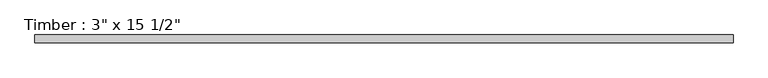
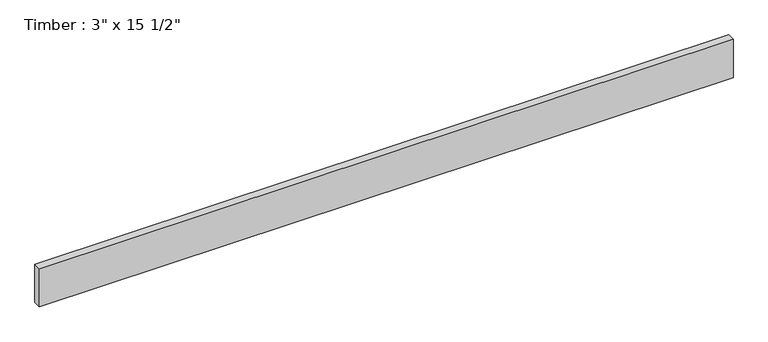
"""IFC4 building model written with IfcOpenShell, lengths in millimetres: beam geometry."""

from ifc_helpers import new_model, si_unit, frame, origin, place, context, project, spatial, polyline, outline, extrude, source, transform, mapped, element, save


def beam_c4738e76(model_context):
    return source(origin(), model_context, "Body", "SweptSolid", [
        extrude(outline(polyline([(3384.55, 38.1), (3384.55, -38.1), (-3384.55, -38.1), (-3384.55, 38.1), (3384.55, 38.1)])), frame((0.0, 0.0, -196.85), z_axis=(0.0, 0.0, 1.0), x_axis=(1.0, 0.0, 0.0)), (0.0, 0.0, 1.0), 393.7),
    ])


if __name__ == "__main__":
    model = new_model("IFC4")
    model_context = context("Model", 3, world=origin())
    ifc_project = project(units=[si_unit("LENGTHUNIT", "METRE", prefix="MILLI")], contexts=[model_context])
    site = spatial("IfcSite", under=ifc_project)
    building = spatial("IfcBuilding", under=site)
    placement = place(None, origin())
    beam_shape = beam_c4738e76(model_context)
    element("IfcBeam", 1, ObjectType="Timber : 3\" x 15 1/2\"", at=placement, inside=building, context=model_context, shape_type="MappedRepresentation", body=[
        mapped(beam_shape, transform((0.0, 0.0, 0.0), x_axis=(1.0, 0.0, 0.0), y_axis=(0.0, 1.0, 0.0), z_axis=(0.0, 0.0, 1.0))),
    ])
    save(model, "model.ifc")
